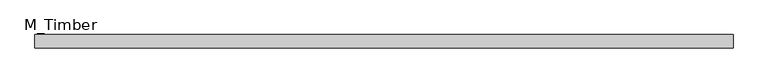
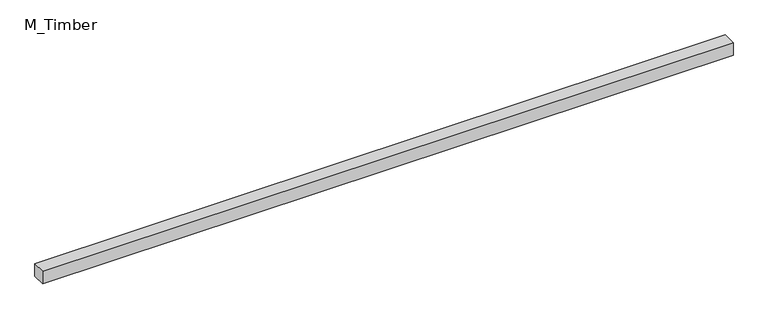
"""IFC4 building model written with IfcOpenShell, lengths in millimetres: beam geometry, M_Timber."""

from ifc_helpers import new_model, si_unit, frame, origin, place, context, project, spatial, polyline, outline, extrude, source, transform, mapped, element, save


def m_timber_227273d1(model_context):
    return source(origin(), model_context, "Body", "SweptSolid", [
        extrude(outline(polyline([(1031.7972908, 20.0), (1031.7972908, -20.0), (-1031.7972908, -20.0), (-1031.7972908, 20.0), (1031.7972908, 20.0)])), frame((0.0, 0.0, -20.0), z_axis=(0.0, 0.0, 1.0), x_axis=(1.0, 0.0, 0.0)), (0.0, 0.0, 1.0), 40.0),
    ])


if __name__ == "__main__":
    model = new_model("IFC4")
    model_context = context("Model", 3, world=origin())
    ifc_project = project(units=[si_unit("LENGTHUNIT", "METRE", prefix="MILLI")], contexts=[model_context])
    site = spatial("IfcSite", under=ifc_project)
    building = spatial("IfcBuilding", under=site)
    placement = place(None, origin())
    m_timber_shape = m_timber_227273d1(model_context)
    element("IfcBeam", 1, ObjectType="M_Timber", at=placement, inside=building, context=model_context, shape_type="MappedRepresentation", body=[
        mapped(m_timber_shape, transform((0.0, 0.0, 0.0), x_axis=(1.0, 0.0, 0.0), y_axis=(0.0, 1.0, 0.0), z_axis=(0.0, 0.0, 1.0))),
    ])
    save(model, "model.ifc")
